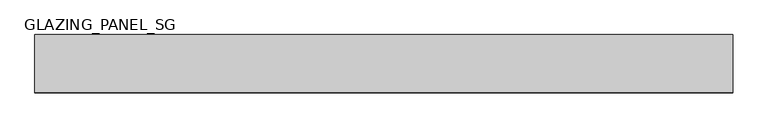
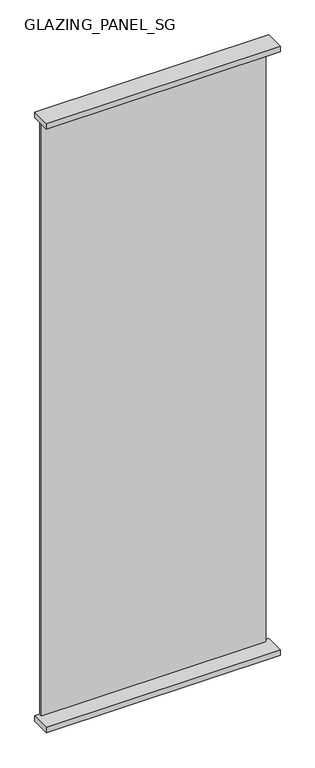
"""IFC4 building model written with IfcOpenShell, lengths in millimetres: plate geometry, GLAZING_PANEL_SG."""

from ifc_helpers import new_model, si_unit, frame, origin, origin_with_axes, place, context, project, spatial, polyline, outline, extrude, source, transform, mapped, element, save


def glazing_panel_sg_e441b0e4(model_context):
    return source(origin(), model_context, "Body", "SweptSolid", [
        extrude(outline(polyline([(480.0, 39.5), (480.0, 29.5), (-480.0, 29.5), (-480.0, 39.5), (480.0, 39.5)])), frame((0.0, 0.0, 12.0), z_axis=(0.0, 0.0, 1.0), x_axis=(1.0, 0.0, 0.0)), (0.0, 0.0, 1.0), 2730.0),
        extrude(outline(polyline([(500.0, -41.5), (-500.0, -41.5), (-500.0, 41.5), (500.0, 41.5), (500.0, -41.5)])), frame((0.0, 0.0, 2730.0), z_axis=(0.0, 0.0, 1.0), x_axis=(1.0, 0.0, 0.0)), (0.0, 0.0, 1.0), 25.0),
        extrude(outline(polyline([(500.0, 41.5), (500.0, -41.5), (-500.0, -41.5), (-500.0, 41.5), (500.0, 41.5)])), origin_with_axes(), (0.0, 0.0, 1.0), 25.0),
    ])


if __name__ == "__main__":
    model = new_model("IFC4")
    model_context = context("Model", 3, world=origin())
    ifc_project = project(units=[si_unit("LENGTHUNIT", "METRE", prefix="MILLI")], contexts=[model_context])
    site = spatial("IfcSite", under=ifc_project)
    building = spatial("IfcBuilding", under=site)
    placement = place(None, origin())
    glazing_panel_sg_shape = glazing_panel_sg_e441b0e4(model_context)
    element("IfcPlate", 1, ObjectType="GLAZING_PANEL_SG", at=placement, inside=building, context=model_context, shape_type="MappedRepresentation", body=[
        mapped(glazing_panel_sg_shape, transform((0.0, 0.0, 0.0), x_axis=(1.0, 0.0, 0.0), y_axis=(0.0, 1.0, 0.0), z_axis=(0.0, 0.0, 1.0))),
    ])
    save(model, "model.ifc")
